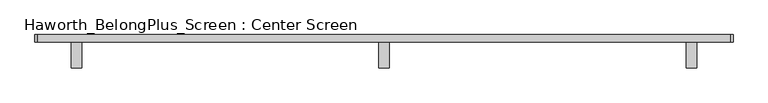
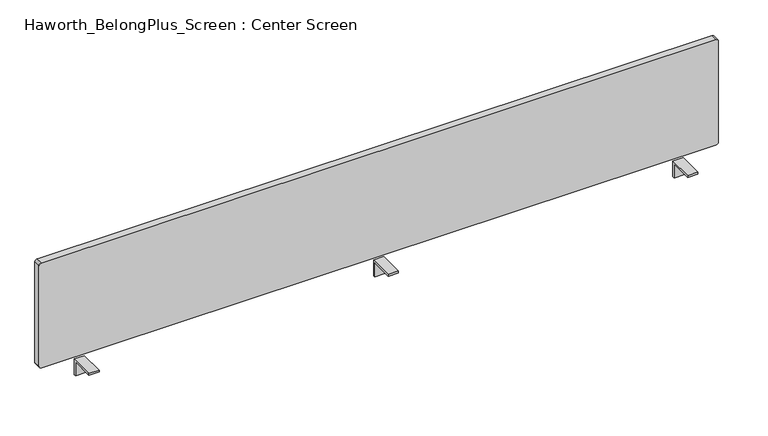
"""IFC4 building model written with IfcOpenShell, lengths in millimetres: furniture geometry, Haworth_BelongPlus_Screen : Center Screen."""

import ifcopenshell
import ifcopenshell.guid

model = None  # the IFC model being written
_history = None  # IfcOwnerHistory: only IFC2X3 demands one
_inside = {}  # id of a spatial element -> (the spatial element, [elements in it])
_under = {}  # id of a project, library or spatial element -> (it, [spatial elements below it])
_declared = {}  # id of a project -> (the project, [libraries it declares])
_typed = {}  # id of a type object -> (the type object, [elements of that type])
_made_of = {}  # id of a material, layer set ... -> (it, [elements and type objects made of it])


def new_model(schema):
    """Start an empty IFC model of exactly this schema.

    Asked for "IFC4X3", IfcOpenShell would pick the latest addendum, in which some entities
    have other attributes; the version numbers below select the first issue.
    IFC2X3 requires an IfcOwnerHistory on every rooted entity: one is made here for all.
    """
    global model, _history
    if schema == "IFC4X3":
        model = ifcopenshell.file(schema_version=(4, 3, 0, 0))
    else:
        model = ifcopenshell.file(schema=schema)
    _inside.clear()
    _under.clear()
    _declared.clear()
    _typed.clear()
    _made_of.clear()
    _history = None
    if model.schema == "IFC2X3":
        org = make("IfcOrganization", Name="unknown")
        user = make(
            "IfcPersonAndOrganization",
            ThePerson=make("IfcPerson", FamilyName="unknown"),
            TheOrganization=org,
        )
        app = make(
            "IfcApplication",
            ApplicationDeveloper=org,
            Version="unknown",
            ApplicationFullName="unknown",
            ApplicationIdentifier="unknown",
        )
        _history = make(
            "IfcOwnerHistory",
            OwningUser=user,
            OwningApplication=app,
            ChangeAction="ADDED",
            CreationDate=0,
        )
    return model


def make(cls, **values):
    """One entity of the class cls with the attributes given. An attribute that is None is left unset."""
    return model.create_entity(
        cls, **{name: value for name, value in values.items() if value is not None}
    )


def rooted(cls, **values):
    """An entity with a GlobalId (a new one), such as an element, a storey or a relation."""
    return make(cls, GlobalId=ifcopenshell.guid.new(), OwnerHistory=_history, **values)


def si_unit(unit_type, name, prefix=None):
    """IfcSIUnit, for example si_unit("LENGTHUNIT", "METRE", prefix="MILLI")."""
    return make("IfcSIUnit", UnitType=unit_type, Prefix=prefix, Name=name)


def assignment(units):
    """IfcUnitAssignment: the units of a project."""
    return None if units is None else make("IfcUnitAssignment", Units=units)


def point(xyz):
    """IfcCartesianPoint."""
    return None if xyz is None else make("IfcCartesianPoint", Coordinates=xyz)


def direction(xyz):
    """IfcDirection."""
    return None if xyz is None else make("IfcDirection", DirectionRatios=xyz)


def frame(location, z_axis=None, x_axis=None):
    """IfcAxis2Placement3D, a coordinate frame: its origin and axes. An axis left out is left unset."""
    return make(
        "IfcAxis2Placement3D",
        Location=point(location),
        Axis=direction(z_axis),
        RefDirection=direction(x_axis),
    )


def frame_2d(location, x_axis=None):
    """IfcAxis2Placement2D, a coordinate frame in the plane: its origin and x axis."""
    return make(
        "IfcAxis2Placement2D", Location=point(location), RefDirection=direction(x_axis)
    )


def origin():
    """The frame at (0, 0, 0) with its axes left unset."""
    return frame((0.0, 0.0, 0.0))


def place(relative_to, where):
    """IfcLocalPlacement: puts the frame where relative to a parent placement (None: the world)."""
    return make(
        "IfcLocalPlacement", PlacementRelTo=relative_to, RelativePlacement=where
    )


def context(
    kind, dimensions, precision=None, world=None, true_north=None, identifier=None
):
    """IfcGeometricRepresentationContext, for example the 3D "Model" context."""
    return make(
        "IfcGeometricRepresentationContext",
        ContextIdentifier=identifier,
        ContextType=kind,
        CoordinateSpaceDimension=dimensions,
        Precision=precision,
        WorldCoordinateSystem=world,
        TrueNorth=true_north,
    )


def project(units=None, contexts=None):
    """IfcProject with its units and contexts."""
    return rooted(
        "IfcProject",
        Name="project",
        RepresentationContexts=contexts,
        UnitsInContext=assignment(units),
    )


def spatial(cls, under=None, at=None, **own):
    """A site, building, storey or space (cls), placed at a placement, below another one or the project."""
    s = rooted(cls, ObjectPlacement=at, **own)
    if under is not None:
        _under.setdefault(under.id(), (under, []))[1].append(s)
    return s


def polyline(points):
    """IfcPolyline through the points."""
    return make("IfcPolyline", Points=[point(p) for p in points])


def circle_curve(where, radius):
    """IfcCircle in the frame where."""
    return make("IfcCircle", Position=where, Radius=radius)


def trimmed(basis, trim1, trim2, sense, master):
    """IfcTrimmedCurve: the piece of a basis curve between two trims."""
    return make(
        "IfcTrimmedCurve",
        BasisCurve=basis,
        Trim1=trim1,
        Trim2=trim2,
        SenseAgreement=sense,
        MasterRepresentation=master,
    )


def segment(curve, same_sense, transition):
    """IfcCompositeCurveSegment."""
    return make(
        "IfcCompositeCurveSegment",
        Transition=transition,
        SameSense=same_sense,
        ParentCurve=curve,
    )


def composite_curve(segments, self_intersect=None):
    """IfcCompositeCurve: segments joined end to end."""
    return make("IfcCompositeCurve", Segments=segments, SelfIntersect=self_intersect)


def outline(outer, holes=None, kind="AREA"):
    """IfcArbitraryClosedProfileDef: a profile drawn as a closed curve; with holes, ...WithVoids."""
    if holes is None:
        return make("IfcArbitraryClosedProfileDef", ProfileType=kind, OuterCurve=outer)
    return make(
        "IfcArbitraryProfileDefWithVoids",
        ProfileType=kind,
        OuterCurve=outer,
        InnerCurves=holes,
    )


def extrude(swept, where, along, depth):
    """IfcExtrudedAreaSolid: the profile swept, set in the frame where, extruded along a direction by depth."""
    return make(
        "IfcExtrudedAreaSolid",
        SweptArea=swept,
        Position=where,
        ExtrudedDirection=direction(along),
        Depth=depth,
    )


def shape(context_of_items, identifier, shape_type, items):
    """IfcShapeRepresentation: the items that make up one representation, for example the "Body"."""
    return make(
        "IfcShapeRepresentation",
        ContextOfItems=context_of_items,
        RepresentationIdentifier=identifier,
        RepresentationType=shape_type,
        Items=items,
    )


def source(mapping_origin, context_of_items, identifier, shape_type, items):
    """IfcRepresentationMap: a shape defined once, which mapped items show again and again."""
    return make(
        "IfcRepresentationMap",
        MappingOrigin=mapping_origin,
        MappedRepresentation=shape(context_of_items, identifier, shape_type, items),
    )


def transform(
    local_origin,
    x_axis=None,
    y_axis=None,
    z_axis=None,
    scale=None,
    scale2=None,
    scale3=None,
    uniform=True,
):
    """IfcCartesianTransformationOperator3D, or its non-uniform kind. x_axis, y_axis, z_axis: its Axis1, 2, 3."""
    if uniform:
        return make(
            "IfcCartesianTransformationOperator3D",
            Axis1=direction(x_axis),
            Axis2=direction(y_axis),
            LocalOrigin=point(local_origin),
            Scale=scale,
            Axis3=direction(z_axis),
        )
    return make(
        "IfcCartesianTransformationOperator3DnonUniform",
        Axis1=direction(x_axis),
        Axis2=direction(y_axis),
        LocalOrigin=point(local_origin),
        Scale=scale,
        Axis3=direction(z_axis),
        Scale2=scale2,
        Scale3=scale3,
    )


def mapped(mapping_source, mapping_target):
    """IfcMappedItem: shows the shape of a source again, moved by a transform."""
    return make(
        "IfcMappedItem", MappingSource=mapping_source, MappingTarget=mapping_target
    )


def made_of(thing, what):
    """Note that an element or type object is made of a material, layer set ...; save() writes the relation."""
    if what is not None:
        _made_of.setdefault(what.id(), (what, []))[1].append(thing)
    return thing


def element(
    cls,
    number,
    at=None,
    inside=None,
    cuts=None,
    type_object=None,
    material=None,
    context=None,
    identifier="Body",
    shape_type=None,
    held_by="IfcProductDefinitionShape",
    body=None,
    shapes=None,
    **own,
):
    """One element of the class cls, such as IfcWall. Its Tag is "e" and its number.

    at: its placement. inside: the storey or other place that contains it. cuts: it is an
    opening in that element (IfcRelVoidsElement). A single representation is given by context,
    identifier, shape_type and body (its items); several are given by shapes. held_by: the class
    of the entity that holds the representations. save() writes the other relations.
    """
    e = rooted(cls, Tag="e%d" % number, ObjectPlacement=at, **own)
    if body is not None:
        shapes = [shape(context, identifier, shape_type, body)]
    if shapes is not None:
        e.Representation = make(held_by, Representations=shapes)
    if inside is not None:
        _inside.setdefault(inside.id(), (inside, []))[1].append(e)
    if cuts is not None:
        rooted(
            "IfcRelVoidsElement", RelatingBuildingElement=cuts, RelatedOpeningElement=e
        )
    if type_object is not None:
        _typed.setdefault(type_object.id(), (type_object, []))[1].append(e)
    return made_of(e, material)


def aggregate(whole, parts):
    """IfcRelAggregates: a whole, such as a stair, and the parts it consists of."""
    return rooted("IfcRelAggregates", RelatingObject=whole, RelatedObjects=parts)


def save(model, path):
    """Write the relations noted so far, then the file.

    IfcRelAggregates (storeys below a building ...), IfcRelContainedInSpatialStructure (elements
    in a storey), IfcRelDefinesByType, IfcRelAssociatesMaterial and IfcRelDeclares: one each for
    every whole, place, type object, material and project.
    """
    for whole, parts in _under.values():
        aggregate(whole, parts)
    for where, things in _inside.values():
        rooted(
            "IfcRelContainedInSpatialStructure",
            RelatedElements=things,
            RelatingStructure=where,
        )
    for kind, things in _typed.values():
        rooted("IfcRelDefinesByType", RelatedObjects=things, RelatingType=kind)
    for what, things in _made_of.values():
        rooted("IfcRelAssociatesMaterial", RelatedObjects=things, RelatingMaterial=what)
    for by, libraries in _declared.values():
        rooted("IfcRelDeclares", RelatingContext=by, RelatedDefinitions=libraries)
    model.write(path)


def haworth_belongplus_screen_center_screen_d055c289(model_context):
    return source(origin(), model_context, "Body", "SweptSolid", [
        extrude(outline(polyline([(-11.1125, 706.4375), (-11.1125, 654.05), (-17.4625, 654.05), (-17.4625, 700.0875), (-90.4875, 700.0875), (-90.4875, 706.4375), (-11.1125, 706.4375)])), frame((-48.5395436, 0.0, 0.0), z_axis=(1.0, 0.0, 0.0), x_axis=(0.0, 1.0, 0.0)), (0.0, 0.0, 1.0), 31.75),
        extrude(outline(polyline([(-11.1125, 706.4375), (-11.1125, 654.05), (-17.4625, 654.05), (-17.4625, 700.0875), (-90.4875, 700.0875), (-90.4875, 706.4375), (-11.1125, 706.4375)])), frame((-988.3395436, 0.0, 0.0), z_axis=(1.0, 0.0, 0.0), x_axis=(0.0, 1.0, 0.0)), (0.0, 0.0, 1.0), 31.75),
        extrude(outline(polyline([(-11.1125, 706.4375), (-11.1125, 654.05), (-17.4625, 654.05), (-17.4625, 700.0875), (-90.4875, 700.0875), (-90.4875, 706.4375), (-11.1125, 706.4375)])), frame((891.2604564, 0.0, 0.0), z_axis=(1.0, 0.0, 0.0), x_axis=(0.0, 1.0, 0.0)), (0.0, 0.0, 1.0), 31.75),
        extrude(outline(composite_curve([segment(polyline([(1062.0375, 1026.1979564), (1062.0375, -1091.5270436)]), True, "CONTINUOUS"), segment(trimmed(circle_curve(frame_2d((1054.1, -1091.5270436)), 7.9375), [point((1062.0375, -1091.5270436))], [point((1054.1, -1099.4645436))], False, "CARTESIAN"), True, "CONTINUOUS"), segment(polyline([(1054.1, -1099.4645436), (720.725, -1099.4645436)]), True, "CONTINUOUS"), segment(trimmed(circle_curve(frame_2d((720.725, -1091.5270436)), 7.9375), [point((720.725, -1099.4645436))], [point((712.7875, -1091.5270436))], False, "CARTESIAN"), True, "CONTINUOUS"), segment(polyline([(712.7875, -1091.5270436), (712.7875, 1026.1979564)]), True, "CONTINUOUS"), segment(trimmed(circle_curve(frame_2d((720.725, 1026.1979564)), 7.9375), [point((712.7875, 1026.1979564))], [point((720.725, 1034.1354564))], False, "CARTESIAN"), True, "CONTINUOUS"), segment(polyline([(720.725, 1034.1354564), (1054.1, 1034.1354564)]), True, "CONTINUOUS"), segment(trimmed(circle_curve(frame_2d((1054.1, 1026.1979564)), 7.9375), [point((1054.1, 1034.1354564))], [point((1062.0375, 1026.1979564))], False, "CARTESIAN"), True, "CONTINUOUS")], self_intersect=False)), frame((0.0, -11.1125, 0.0), z_axis=(0.0, 1.0, 0.0), x_axis=(0.0, 0.0, 1.0)), (0.0, 0.0, 1.0), 22.225),
    ])


if __name__ == "__main__":
    model = new_model("IFC4")
    model_context = context("Model", 3, world=origin())
    ifc_project = project(units=[si_unit("LENGTHUNIT", "METRE", prefix="MILLI")], contexts=[model_context])
    site = spatial("IfcSite", under=ifc_project)
    building = spatial("IfcBuilding", under=site)
    placement = place(None, origin())
    haworth_belongplus_screen_center_screen_shape = haworth_belongplus_screen_center_screen_d055c289(model_context)
    element("IfcFurniture", 1, ObjectType="Haworth_BelongPlus_Screen : Center Screen", at=placement, inside=building, context=model_context, shape_type="MappedRepresentation", body=[
        mapped(haworth_belongplus_screen_center_screen_shape, transform((0.0, 0.0, 0.0), x_axis=(1.0, 0.0, 0.0), y_axis=(0.0, 1.0, 0.0), z_axis=(0.0, 0.0, 1.0))),
    ])
    save(model, "model.ifc")
